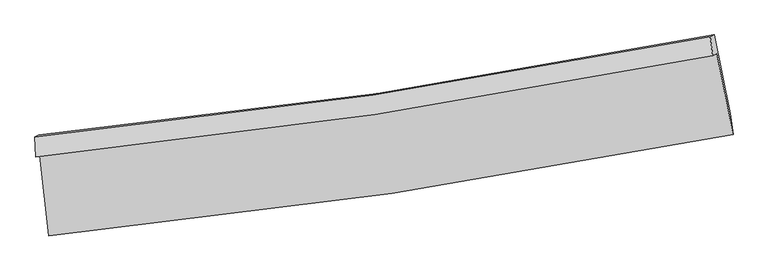
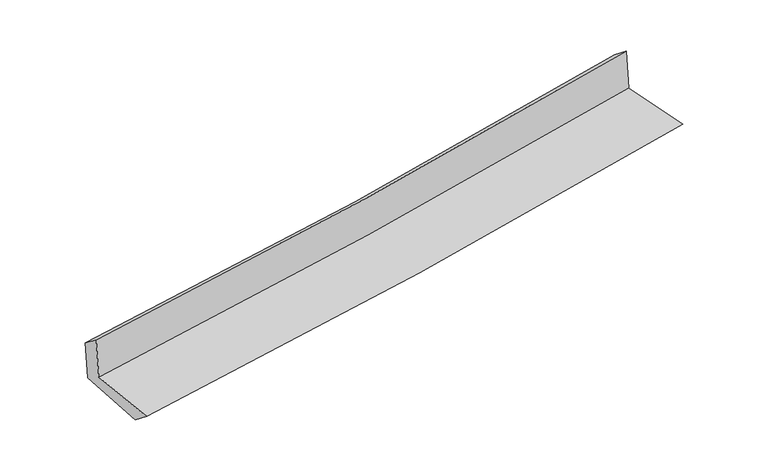
"""IFC4 building model written with IfcOpenShell, lengths in millimetres: proxy geometry."""

from ifc_helpers import new_model, si_unit, frame, origin, place, context, project, spatial, source, transform, mapped, element, save
from ifc_brep_helpers import plane_surface, spline_curve, spline_surface, advanced_brep


def generic_models_8f380db3(model_context):
    return source(origin(), model_context, "Body", "AdvancedBrep", [
        advanced_brep(
        [(-2802.8409844, -1902.2642043, 1656.7857593), (-2727.4959369, -2566.0797919, 1635.6446912), (2885.2638579, -1730.9985055, 2123.6530992), (2750.9081285, -1065.7241946, 2134.651458), (-2836.0714532, -1916.5650255, 2058.1718526), (2718.4634537, -1085.2682794, 2533.6722776), (-2842.8804373, -1750.4970565, 1924.644242), (2698.0742714, -926.3575558, 2407.8690697), (-2812.1055271, -1737.0850473, 1552.7040637), (2729.8669028, -912.6206348, 2028.7770078), (-2735.0100179, -2392.8068577, 1501.0473169), (2863.7820144, -1559.5097632, 1982.1732987)],
        [
            (0, 1),
            (1, 2, spline_curve(3, [(-2727.4959369, -2566.0797919, 1635.6446912), (-1787.393007322, -2471.28402147, 1725.41177051), (-850.217157656, -2354.415496369, 1810.915253148), (1020.718068764, -2076.1704044, 1973.607001366), (1954.46215091, -1914.678500799, 2050.772987633), (2885.2638579, -1730.9985055, 2123.6530992)], [4, 2, 4], [0.0, 9.285545419301648, 18.595319141098457])),
            (2, 3),
            (3, 0, spline_curve(3, [(2750.9081285, -1065.7241946, 2134.651458), (1829.568556816, -1245.680669249, 2061.868678256), (905.479757652, -1405.435115474, 1985.598723967), (-945.784237479, -1684.176772507, 1826.292031074), (-1872.945142648, -1803.268996121, 1743.273418893), (-2802.8409844, -1902.2642043, 1656.7857593)], [4, 2, 4], [0.0, 9.309773721796809, 18.595319141098457])),
            (4, 0),
            (3, 5),
            (5, 4, spline_curve(3, [(2718.4634537, -1085.2682794, 2533.6722776), (1797.779050455, -1269.351195525, 2460.281488904), (873.951755013, -1430.728096188, 2383.905546173), (-977.576217697, -1707.708982546, 2225.38988741), (-1905.260558034, -1823.430996954, 2143.265688112), (-2836.0714532, -1916.5650255, 2058.1718526)], [4, 2, 4], [0.0, 9.261381141686792, 18.49865992057411])),
            (6, 4),
            (5, 7),
            (7, 6, spline_curve(3, [(2698.0742714, -926.3575558, 2407.8690697), (1779.831595513, -1110.684284775, 2332.784295824), (858.358207321, -1271.584941274, 2254.917085759), (-988.643489602, -1546.176335788, 2093.827679424), (-1914.15500398, -1659.988846589, 2010.619947153), (-2842.8804373, -1750.4970565, 1924.644242)], [4, 2, 4], [0.0, 9.250341706973332, 18.476609780821143])),
            (8, 6),
            (7, 9),
            (9, 8, spline_curve(3, [(2729.8669028, -912.6206348, 2028.7770078), (1811.379033515, -1097.037292872, 1955.785239715), (889.698177181, -1258.010001548, 1879.560713081), (-957.642563913, -1532.709607522, 1720.852927429), (-1883.285850682, -1646.558369442, 1638.38647275), (-2812.1055271, -1737.0850473, 1552.7040637)], [4, 2, 4], [0.0, 9.239506145718925, 18.454966857414007])),
            (10, 8),
            (9, 11),
            (11, 10, spline_curve(3, [(2863.7820144, -1559.5097632, 1982.1732987), (1935.403732249, -1742.505363864, 1908.57753515), (1004.036799038, -1903.506445968, 1831.62922), (-862.242746932, -2181.157813379, 1671.236465898), (-1797.139824797, -2297.922429484, 1587.80945365), (-2735.0100179, -2392.8068577, 1501.0473169)], [4, 2, 4], [0.0, 9.287060698865814, 18.549952204942738])),
            (1, 10),
            (11, 2),
        ],
        [
            spline_surface(3, 3, [[(-2802.8409844, -1902.2642043, 1656.7857593), (-1872.945142658, -1803.268995973, 1743.273419023), (-945.784237502, -1684.176772407, 1826.292030975), (905.479757675, -1405.435115575, 1985.598724066), (1829.568556829, -1245.680669242, 2061.868678309), (2750.9081285, -1065.7241946, 2134.651458)], [(-2777.725968548, -2123.536066832, 1649.738736602), (-1844.427764157, -2025.940671123, 1737.319536182), (-913.928544248, -1907.589680361, 1821.166438427), (943.892528028, -1629.013545173, 1981.601483132), (1871.199754856, -1468.679946399, 2058.170114775), (2795.693371637, -1287.482298221, 2130.985338383)], [(-2752.610952752, -2344.807929368, 1642.691713898), (-1815.910385714, -2248.612346275, 1731.365653335), (-882.072850936, -2131.002588381, 1816.040845839), (982.305298437, -1852.591974837, 1977.604242157), (1912.830952872, -1691.679223593, 2054.471551293), (2840.478614763, -1509.240401879, 2127.319218817)], [(-2727.4959369, -2566.0797919, 1635.6446912), (-1787.393007213, -2471.284021425, 1725.411770494), (-850.217157682, -2354.415496334, 1810.91525329), (1020.71806879, -2076.170404435, 1973.607001223), (1954.462150899, -1914.678500749, 2050.77298776), (2885.2638579, -1730.9985055, 2123.6530992)]], [4, 4], [4, 2, 4], [0.0, 2.2272431737590517], [0.0, 9.285545419301648, 18.595319141098457]),
            spline_surface(3, 3, [[(-2836.0714532, -1916.5650255, 2058.1718526), (-1905.260558092, -1823.430996991, 2143.265688244), (-977.576217777, -1707.70898247, 2225.389887324), (873.951755093, -1430.728096264, 2383.90554626), (1797.779050353, -1269.351195406, 2460.281488831), (2718.4634537, -1085.2682794, 2533.6722776)], [(-2824.99463026, -1911.798085114, 1924.376488157), (-1894.48875294, -1816.710329999, 2009.934931827), (-966.978891, -1699.864912469, 2092.357268545), (884.461089307, -1422.29710272, 2251.136605533), (1808.375552483, -1261.461020025, 2327.477218659), (2729.278345272, -1078.753584474, 2400.665337735)], [(-2813.91780734, -1907.031144686, 1790.581123743), (-1883.716947809, -1809.989662965, 1876.60417544), (-956.38156428, -1692.020842409, 1959.324649754), (894.970423462, -1413.866109118, 2118.367664793), (1818.972054699, -1253.570844623, 2194.672948481), (2740.093236928, -1072.238889526, 2267.658397865)], [(-2802.8409844, -1902.2642043, 1656.7857593), (-1872.945142658, -1803.268995973, 1743.273419023), (-945.784237502, -1684.176772407, 1826.292030975), (905.479757675, -1405.435115575, 1985.598724066), (1829.568556829, -1245.680669242, 2061.868678309), (2750.9081285, -1065.7241946, 2134.651458)]], [4, 4], [4, 2, 4], [0.0, 1.3146352688903729], [0.0, 9.237278778887317, 18.49865992057411]),
            spline_surface(3, 3, [[(-2842.8804373, -1750.4970565, 1924.644242), (-1914.155004063, -1659.9888466, 2010.619947226), (-988.643489453, -1546.176335916, 2093.827679561), (858.358207172, -1271.584941146, 2254.917085621), (1779.831595432, -1110.684284908, 2332.784295881), (2698.0742714, -926.3575558, 2407.8690697)], [(-2840.610775934, -1805.853046146, 1969.153445519), (-1911.19018874, -1714.469563376, 2054.835194218), (-984.954398914, -1600.020551415, 2137.681748812), (863.556056459, -1324.632659499, 2297.913239165), (1785.81408042, -1163.573255048, 2375.283360206), (2704.870665514, -979.327796974, 2449.803472341)], [(-2838.341114566, -1861.209035854, 2013.662649081), (-1908.225373415, -1768.950280215, 2099.050441252), (-981.265308317, -1653.864766971, 2181.535818072), (868.753905806, -1377.68037791, 2340.909392717), (1791.796565365, -1216.462225266, 2417.782424506), (2711.667059586, -1032.298038226, 2491.737874959)], [(-2836.0714532, -1916.5650255, 2058.1718526), (-1905.260558092, -1823.430996991, 2143.265688244), (-977.576217777, -1707.70898247, 2225.389887324), (873.951755093, -1430.728096264, 2383.90554626), (1797.779050353, -1269.351195406, 2460.281488831), (2718.4634537, -1085.2682794, 2533.6722776)]], [4, 4], [4, 2, 4], [0.0, 0.6791884658212657], [0.0, 9.22626807384781, 18.476609780821143]),
            spline_surface(3, 3, [[(-2812.1055271, -1737.0850473, 1552.7040637), (-1883.285850704, -1646.558369538, 1638.386472603), (-957.642563819, -1532.709607416, 1720.852927388), (889.698177087, -1258.010001655, 1879.560713122), (1811.379033508, -1097.037292886, 1955.785239662), (2729.8669028, -912.6206348, 2028.7770078)], [(-2822.363830518, -1741.555717052, 1676.684123154), (-1893.575568509, -1651.035195244, 1762.464297498), (-967.976205694, -1537.198516933, 1845.177844774), (879.251520452, -1262.534981502, 2004.67950395), (1800.863220815, -1101.586290228, 2081.45159172), (2719.269359, -917.199608468, 2155.141028418)], [(-2832.622133882, -1746.026386748, 1800.664182546), (-1903.865286258, -1655.512020893, 1886.542122332), (-978.309847578, -1541.687426399, 1969.502762175), (868.804863807, -1267.059961298, 2129.798294793), (1790.347408125, -1106.135287566, 2207.117943823), (2708.6718152, -921.778582132, 2281.505049082)], [(-2842.8804373, -1750.4970565, 1924.644242), (-1914.155004063, -1659.9888466, 2010.619947226), (-988.643489453, -1546.176335916, 2093.827679561), (858.358207172, -1271.584941146, 2254.917085621), (1779.831595432, -1110.684284908, 2332.784295881), (2698.0742714, -926.3575558, 2407.8690697)]], [4, 4], [4, 2, 4], [0.0, 1.2326383704942876], [0.0, 9.215460711695082, 18.454966857414007]),
            spline_surface(3, 3, [[(-2735.0100179, -2392.8068577, 1501.0473169), (-1797.139824745, -2297.922429591, 1587.809453712), (-862.242747038, -2181.157813423, 1671.23646579), (1004.036799145, -1903.506445924, 1831.629220108), (1935.403732253, -1742.505363977, 1908.577535293), (2863.7820144, -1559.5097632, 1982.1732987)], [(-2760.708520978, -2174.232920872, 1518.26623248), (-1825.855166743, -2080.801076212, 1604.668459989), (-894.042685948, -1965.00841142, 1687.775286315), (965.923925142, -1688.3409645, 1847.606384439), (1894.062166015, -1527.349340307, 1924.313436748), (2819.143643877, -1343.88005376, 1997.707868399)], [(-2786.407024022, -1955.658984128, 1535.48514812), (-1854.570508707, -1863.679722917, 1621.527466327), (-925.842624909, -1748.859009419, 1704.314106862), (927.811051089, -1473.175483079, 1863.583548791), (1852.720599745, -1312.193316556, 1940.049338207), (2774.505273323, -1128.25034424, 2013.242438101)], [(-2812.1055271, -1737.0850473, 1552.7040637), (-1883.285850704, -1646.558369538, 1638.386472603), (-957.642563819, -1532.709607416, 1720.852927388), (889.698177087, -1258.010001655, 1879.560713122), (1811.379033508, -1097.037292886, 1955.785239662), (2729.8669028, -912.6206348, 2028.7770078)]], [4, 4], [4, 2, 4], [0.0, 2.1562623257130054], [0.0, 9.262891506076924, 18.549952204942738]),
            spline_surface(3, 3, [[(-2727.4959369, -2566.0797919, 1635.6446912), (-1787.393007213, -2471.284021425, 1725.411770494), (-850.217157682, -2354.415496334, 1810.91525329), (1020.71806879, -2076.170404435, 1973.607001223), (1954.462150899, -1914.678500749, 2050.77298776), (2885.2638579, -1730.9985055, 2123.6530992)], [(-2730.000630562, -2508.322147184, 1590.778899788), (-1790.641946386, -2413.496824164, 1679.544331588), (-854.225687468, -2296.662935369, 1764.355657454), (1015.157645574, -2018.615751604, 1926.281074182), (1948.109344683, -1857.287455162, 2003.374503628), (2878.1032434, -1673.835591403, 2076.493165724)], [(-2732.505324238, -2450.564502416, 1545.913108312), (-1793.890885572, -2355.709626852, 1633.676892618), (-858.234217252, -2238.910374388, 1717.796061626), (1009.59722236, -1961.061098755, 1878.955147149), (1941.756538468, -1799.896409565, 1955.976019425), (2870.9426289, -1616.672677297, 2029.333232176)], [(-2735.0100179, -2392.8068577, 1501.0473169), (-1797.139824745, -2297.922429591, 1587.809453712), (-862.242747038, -2181.157813423, 1671.23646579), (1004.036799145, -1903.506445924, 1831.629220108), (1935.403732253, -1742.505363977, 1908.577535293), (2863.7820144, -1559.5097632, 1982.1732987)]], [4, 4], [4, 2, 4], [0.0, 0.7332865843610437], [0.0, 9.321968371129037, 18.668260081313264]),
            plane_surface(frame((2774.3931048, -1213.4131555, 2201.7993685), z_axis=(0.976605258079899, 0.19575938958230693, 0.08899680489240396), x_axis=(-0.08351738705933336, -0.03608608969796213, 0.9958527201293835))),
            plane_surface(frame((-2792.7340595, -2044.2163305, 1721.4996543), z_axis=(-0.9902512215934242, -0.10966108054857857, -0.08588926327341265), x_axis=(-0.11272241932477856, 0.9931229914333758, 0.031628785433398574))),
        ],
        [
            (0, [[1, 2, 3, 4]]),
            (1, [[5, -4, 6, 7]]),
            (2, [[8, -7, 9, 10]]),
            (3, [[11, -10, 12, 13]]),
            (4, [[14, -13, 15, 16]]),
            (5, [[17, -16, 18, -2]]),
            (6, [[-12, -9, -6, -3, -18, -15]]),
            (7, [[-1, -5, -8, -11, -14, -17]]),
        ],
    ),
    ])


if __name__ == "__main__":
    model = new_model("IFC4")
    model_context = context("Model", 3, world=origin())
    ifc_project = project(units=[si_unit("LENGTHUNIT", "METRE", prefix="MILLI")], contexts=[model_context])
    site = spatial("IfcSite", under=ifc_project)
    building = spatial("IfcBuilding", under=site)
    placement = place(None, origin())
    generic_models_shape = generic_models_8f380db3(model_context)
    element("IfcBuildingElementProxy", 1, Name="Generic Models", at=placement, inside=building, context=model_context, shape_type="MappedRepresentation", body=[
        mapped(generic_models_shape, transform((0.0, 0.0, 0.0), x_axis=(1.0, 0.0, 0.0), y_axis=(0.0, 1.0, 0.0), z_axis=(0.0, 0.0, 1.0))),
    ])
    save(model, "model.ifc")
